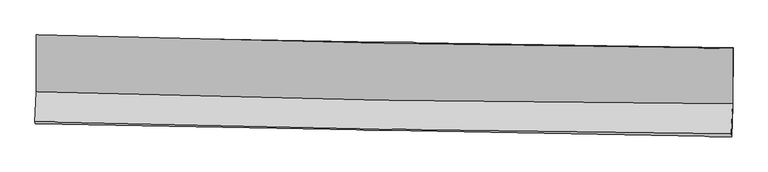
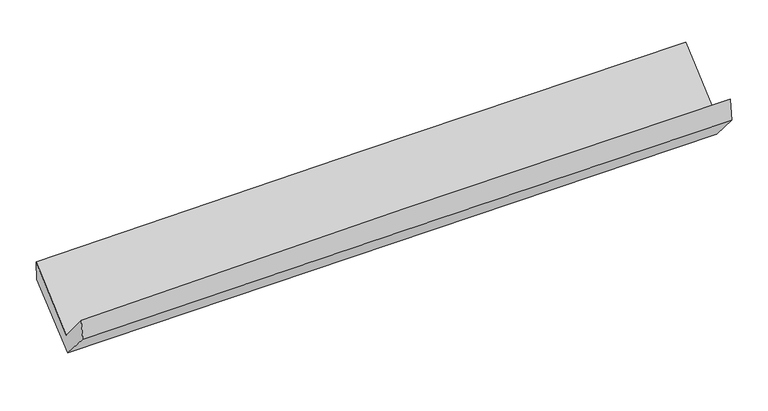
"""IFC4 building model written with IfcOpenShell, lengths in millimetres: proxy geometry."""

from ifc_helpers import new_model, si_unit, frame, origin, place, context, project, spatial, source, transform, mapped, element, save
from ifc_brep_helpers import plane_surface, spline_curve, spline_surface, advanced_brep


def generic_models_f3b3f88b(model_context):
    return source(origin(), model_context, "Body", "AdvancedBrep", [
        advanced_brep(
        [(-3020.7838123, -1172.1660337, 2162.7999718), (-3020.664411, -1663.7723069, 1729.0691304), (3009.9621096, -1767.8899694, 1882.3993629), (3010.6062604, -1289.3840921, 2304.6003233), (-3031.7242975, -1925.673132, 2040.0092073), (2998.9224671, -2029.9480927, 2192.5403884), (-3028.3923085, -1942.7509062, 1862.7882087), (3002.3421198, -2053.3958973, 1997.0237703), (-3017.7002317, -1685.021615, 1566.1391077), (3013.3061802, -1789.1105272, 1692.8285541), (-3017.4062756, -1180.8091742, 1990.7014211), (3014.3929334, -1281.4361258, 2120.3340582)],
        [
            (0, 1),
            (1, 2, spline_curve(3, [(-3020.664411, -1663.7723069, 1729.0691304), (-2015.918609574, -1695.346131548, 1760.09146896), (-1010.972977391, -1719.809579831, 1788.380567758), (999.235895189, -1754.514306589, 1839.490198847), (2004.499103404, -1764.756745724, 1862.311177735), (3009.9621096, -1767.8899694, 1882.3993629)], [4, 2, 4], [0.0, 9.898649309503444, 19.796490564907764])),
            (2, 3),
            (3, 0, spline_curve(3, [(3010.6062604, -1289.3840921, 2304.6003233), (2005.043900663, -1278.193242723, 2291.482064326), (999.667389475, -1262.830215482, 2273.106935721), (-1010.795998666, -1223.758210675, 2225.841010377), (-2015.882844927, -1200.048551715, 2196.949355048), (-3020.7838123, -1172.1660337, 2162.7999718)], [4, 2, 4], [0.0, 9.89784125540432, 19.796490564907764])),
            (1, 4),
            (4, 5, spline_curve(3, [(-3031.7242975, -1925.673132, 2040.0092073), (-2027.053158926, -1949.889713039, 2081.532274323), (-1022.143169229, -1970.687799016, 2115.004929897), (988.072457752, -2005.44556124, 2165.847342415), (1993.378056619, -2019.405795515, 2183.218414189), (2998.9224671, -2029.9480927, 2192.5403884)], [4, 2, 4], [0.0, 9.898113934387242, 19.795419858379507])),
            (5, 2),
            (4, 6),
            (6, 7, spline_curve(3, [(-3028.3923085, -1942.7509062, 1862.7882087), (-2023.259800049, -1960.79583138, 1885.614447613), (-1018.111829352, -1979.039094366, 1908.214310976), (992.132982883, -2015.920790595, 1952.959461214), (1997.22982151, -2034.559191293, 1975.104785067), (3002.3421198, -2053.3958973, 1997.0237703)], [4, 2, 4], [0.0, 9.897730983267078, 19.794653987400537])),
            (7, 5),
            (6, 8),
            (8, 9, spline_curve(3, [(-3017.7002317, -1685.021615, 1566.1391077), (-2012.613059462, -1704.159353841, 1590.223186296), (-1007.465088541, -1722.402616725, 1612.823049736), (1002.870392171, -1757.098775046, 1655.052623135), (2008.057891879, -1773.551815872, 1674.682574838), (3013.3061802, -1789.1105272, 1692.8285541)], [4, 2, 4], [0.0, 9.89745008179287, 19.794092207382885])),
            (9, 7),
            (8, 10),
            (10, 11, spline_curve(3, [(-3017.4062756, -1180.8091742, 1990.7014211), (-2012.171041348, -1200.587284308, 2014.25156613), (-1006.882970599, -1218.862199848, 2036.829759795), (1003.716774242, -1252.40427143, 2080.040480227), (2009.028440015, -1267.671673453, 2100.673165755), (3014.3929334, -1281.4361258, 2120.3340582)], [4, 2, 4], [0.0, 9.898109514661984, 19.795411019289787])),
            (11, 9),
            (10, 0),
            (3, 11),
        ],
        [
            spline_surface(3, 3, [[(-3020.7838123, -1172.1660337, 2162.7999718), (-2015.882844978, -1200.048551692, 2196.949355024), (-1010.795998547, -1223.758210631, 2225.84101032), (999.667389357, -1262.830215526, 2273.106935778), (2005.043900511, -1278.193242684, 2291.482064325), (3010.6062604, -1289.3840921, 2304.6003233)], [(-3020.744011872, -1336.034791427, 2018.22302468), (-2015.894766529, -1365.147745023, 2051.330059702), (-1010.854991542, -1389.10866706, 2080.020862787), (999.523558003, -1426.724912553, 2128.568023513), (2004.862301483, -1440.381077072, 2148.425102157), (3010.391543472, -1448.886051198, 2163.866669839)], [(-3020.704211428, -1499.903549173, 1873.64607752), (-2015.906688062, -1530.246938374, 1905.71076434), (-1010.913984519, -1554.459123437, 1934.200715204), (999.379726666, -1590.619609529, 1984.029111198), (2004.680702437, -1602.568911464, 2005.368139972), (3010.176826528, -1608.388010302, 2023.133016361)], [(-3020.664411, -1663.7723069, 1729.0691304), (-2015.918609612, -1695.346131706, 1760.091469017), (-1010.972977514, -1719.809579865, 1788.380567671), (999.235895312, -1754.514306555, 1839.490198933), (2004.49910341, -1764.756745852, 1862.311177804), (3009.9621096, -1767.8899694, 1882.3993629)]], [4, 4], [4, 2, 4], [0.0, 2.16037665388542], [0.0, 9.898649309503444, 19.796490564907764]),
            spline_surface(3, 3, [[(-3020.664411, -1663.7723069, 1729.0691304), (-2015.918609612, -1695.346131706, 1760.091469017), (-1010.972977514, -1719.809579865, 1788.380567671), (999.235895312, -1754.514306555, 1839.490198933), (2004.49910341, -1764.756745852, 1862.311177804), (3009.9621096, -1767.8899694, 1882.3993629)], [(-3024.351039808, -1751.072581963, 1832.715822709), (-2019.630125982, -1780.193992235, 1867.238404106), (-1014.69637478, -1803.435652926, 1897.255355029), (995.514749496, -1838.158058088, 1948.275913441), (2000.792087814, -1849.639762415, 1969.280256551), (3006.282228769, -1855.242677149, 1985.779704733)], [(-3028.037668692, -1838.372856937, 1936.362514991), (-2023.341642428, -1865.041852674, 1974.385339169), (-1018.41977206, -1887.061726014, 2006.130142442), (991.793603665, -1921.801809649, 2057.061628004), (1997.085072213, -1934.522779032, 2076.249335298), (3002.602347931, -1942.595384951, 2089.160046567)], [(-3031.7242975, -1925.673132, 2040.0092073), (-2027.053158798, -1949.889713203, 2081.532274259), (-1022.143169326, -1970.687799074, 2115.0049298), (988.072457848, -2005.445561182, 2165.847342512), (1993.378056617, -2019.405795595, 2183.218414045), (2998.9224671, -2029.9480927, 2192.5403884)]], [4, 4], [4, 2, 4], [0.0, 1.3514277038363247], [0.0, 9.898113934387242, 19.795419858379507]),
            spline_surface(3, 3, [[(-3031.7242975, -1925.673132, 2040.0092073), (-2027.053158798, -1949.889713203, 2081.532274259), (-1022.143169326, -1970.687799074, 2115.0049298), (988.072457848, -2005.445561182, 2165.847342512), (1993.378056617, -2019.405795595, 2183.218414045), (2998.9224671, -2029.9480927, 2192.5403884)], [(-3030.613634525, -1931.365723395, 1980.935541086), (-2025.788705882, -1953.525085936, 2016.226331978), (-1020.799389273, -1973.471564197, 2046.074723539), (989.42596617, -2008.937304293, 2094.884715425), (1994.661978227, -2024.456927477, 2113.847204332), (3000.06235135, -2037.764027578, 2127.368182367)], [(-3029.502971475, -1937.058314805, 1921.861874914), (-2024.52425289, -1957.160458682, 1950.920389738), (-1019.455609277, -1976.255329322, 1977.144517238), (990.779474434, -2012.429047405, 2023.922088299), (1995.945899786, -2029.508059324, 2044.475994618), (3001.20223555, -2045.579962422, 2062.195976333)], [(-3028.3923085, -1942.7509062, 1862.7882087), (-2023.259799974, -1960.795831415, 1885.614447457), (-1018.111829224, -1979.039094445, 1908.214310977), (992.132982755, -2015.920790516, 1952.959461213), (1997.229821396, -2034.559191205, 1975.104784906), (3002.3421198, -2053.3958973, 1997.0237703)]], [4, 4], [4, 2, 4], [0.0, 0.6892683406895563], [0.0, 9.897730983267078, 19.794653987400537]),
            spline_surface(3, 3, [[(-3028.3923085, -1942.7509062, 1862.7882087), (-2023.259799974, -1960.795831415, 1885.614447457), (-1018.111829224, -1979.039094445, 1908.214310977), (992.132982755, -2015.920790516, 1952.959461213), (1997.229821396, -2034.559191205, 1975.104784906), (3002.3421198, -2053.3958973, 1997.0237703)], [(-3024.828282874, -1856.841142455, 1763.905175035), (-2019.710886389, -1875.25033888, 1787.150693752), (-1014.56291564, -1893.49360191, 1809.750557272), (995.712119189, -1929.646785298, 1853.657181815), (2000.839178212, -1947.556732774, 1874.964048266), (3005.996806573, -1965.300773917, 1895.625364909)], [(-3021.264257326, -1770.931378745, 1665.022141365), (-2016.161972883, -1789.70484638, 1688.686940042), (-1011.014002033, -1807.94810941, 1711.286803562), (999.291255645, -1843.372780114, 1754.354902412), (2004.448535109, -1860.554274393, 1774.823311598), (3009.651493427, -1877.205650583, 1794.226959491)], [(-3017.7002317, -1685.021615, 1566.1391077), (-2012.613059299, -1704.159353845, 1590.223186337), (-1007.465088449, -1722.402616875, 1612.823049857), (1002.870392079, -1757.098774896, 1655.052623014), (2008.057891925, -1773.551815962, 1674.682574958), (3013.3061802, -1789.1105272, 1692.8285541)]], [4, 4], [4, 2, 4], [0.0, 1.2897466805271918], [0.0, 9.89745008179287, 19.794092207382885]),
            spline_surface(3, 3, [[(-3017.7002317, -1685.021615, 1566.1391077), (-2012.613059299, -1704.159353845, 1590.223186337), (-1007.465088449, -1722.402616875, 1612.823049857), (1002.870392079, -1757.098774896, 1655.052623014), (2008.057891925, -1773.551815962, 1674.682574958), (3013.3061802, -1789.1105272, 1692.8285541)], [(-3017.602246359, -1516.950801408, 1707.659878835), (-2012.465719969, -1536.301997361, 1731.56597964), (-1007.271049189, -1554.555811168, 1754.158619849), (1003.152519489, -1588.867273781, 1796.715242069), (2008.381407989, -1604.925101789, 1816.679438512), (3013.668431293, -1619.885726764, 1835.330388796)], [(-3017.504260941, -1348.879987792, 1849.180649965), (-2012.318380564, -1368.444640854, 1872.908772939), (-1007.077009928, -1386.709005447, 1895.494189846), (1003.434646901, -1420.635772653, 1938.37786113), (2008.704923973, -1436.298387525, 1958.676302079), (3014.030682307, -1450.660926236, 1977.832223504)], [(-3017.4062756, -1180.8091742, 1990.7014211), (-2012.171041235, -1200.58728437, 2014.251566242), (-1006.882970668, -1218.86219974, 2036.829759837), (1003.716774312, -1252.404271538, 2080.040480186), (2009.028440037, -1267.671673353, 2100.673165634), (3014.3929334, -1281.4361258, 2120.3340582)]], [4, 4], [4, 2, 4], [0.0, 2.1622023958901018], [0.0, 9.898109514661984, 19.795411019289787]),
            spline_surface(3, 3, [[(-3017.4062756, -1180.8091742, 1990.7014211), (-2012.171041235, -1200.58728437, 2014.251566242), (-1006.882970668, -1218.86219974, 2036.829759837), (1003.716774312, -1252.404271538, 2080.040480186), (2009.028440037, -1267.671673353, 2100.673165634), (3014.3929334, -1281.4361258, 2120.3340582)], [(-3018.532121161, -1177.928127351, 2048.067604655), (-2013.408309144, -1200.407706795, 2075.150829158), (-1008.187313305, -1220.49420337, 2099.833509986), (1002.366979317, -1255.8795862, 2144.395965371), (2007.70026017, -1271.178863124, 2164.276131853), (3013.130709042, -1284.085447894, 2181.756146555)], [(-3019.657966739, -1175.047080549, 2105.433788245), (-2014.645577069, -1200.228129267, 2136.050092109), (-1009.491655911, -1222.126207001, 2162.837260171), (1001.017184352, -1259.354900864, 2208.751450592), (2006.372080377, -1274.686052913, 2227.879098106), (3011.868484758, -1286.734770006, 2243.178234945)], [(-3020.7838123, -1172.1660337, 2162.7999718), (-2015.882844978, -1200.048551692, 2196.949355024), (-1010.795998547, -1223.758210631, 2225.84101032), (999.667389357, -1262.830215526, 2273.106935778), (2005.043900511, -1278.193242684, 2291.482064325), (3010.6062604, -1289.3840921, 2304.6003233)]], [4, 4], [4, 2, 4], [0.0, 0.627407059294782], [0.0, 9.898955969312091, 19.797103859491568]),
            plane_surface(frame((3008.2553451, -1701.8607841, 2031.6210762), z_axis=(0.9996293158679825, -0.0187570274384075, 0.019733341809847336), x_axis=(0.0016374206139744927, 0.7649174338916563, 0.6441262595037843))),
            plane_surface(frame((-3022.7785561, -1595.0321947, 1891.9178412), z_axis=(-0.9996300562859681, 0.017857177416380876, -0.02051515986855098), x_axis=(0.019597128489956993, -0.05014919205475141, -0.9985494535030319))),
        ],
        [
            (0, [[1, 2, 3, 4]]),
            (1, [[5, 6, 7, -2]]),
            (2, [[8, 9, 10, -6]]),
            (3, [[11, 12, 13, -9]]),
            (4, [[14, 15, 16, -12]]),
            (5, [[17, -4, 18, -15]]),
            (6, [[-16, -18, -3, -7, -10, -13]]),
            (7, [[-17, -14, -11, -8, -5, -1]]),
        ],
    ),
    ])


if __name__ == "__main__":
    model = new_model("IFC4")
    model_context = context("Model", 3, world=origin())
    ifc_project = project(units=[si_unit("LENGTHUNIT", "METRE", prefix="MILLI")], contexts=[model_context])
    site = spatial("IfcSite", under=ifc_project)
    building = spatial("IfcBuilding", under=site)
    placement = place(None, origin())
    generic_models_shape = generic_models_f3b3f88b(model_context)
    element("IfcBuildingElementProxy", 1, Name="Generic Models", at=placement, inside=building, context=model_context, shape_type="MappedRepresentation", body=[
        mapped(generic_models_shape, transform((0.0, 0.0, 0.0), x_axis=(1.0, 0.0, 0.0), y_axis=(0.0, 1.0, 0.0), z_axis=(0.0, 0.0, 1.0))),
    ])
    save(model, "model.ifc")
